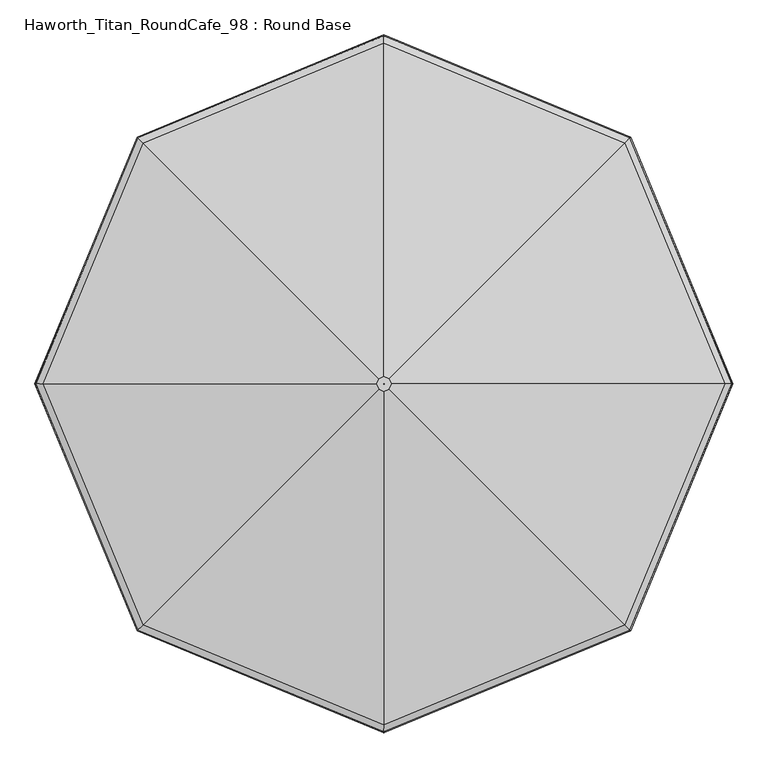
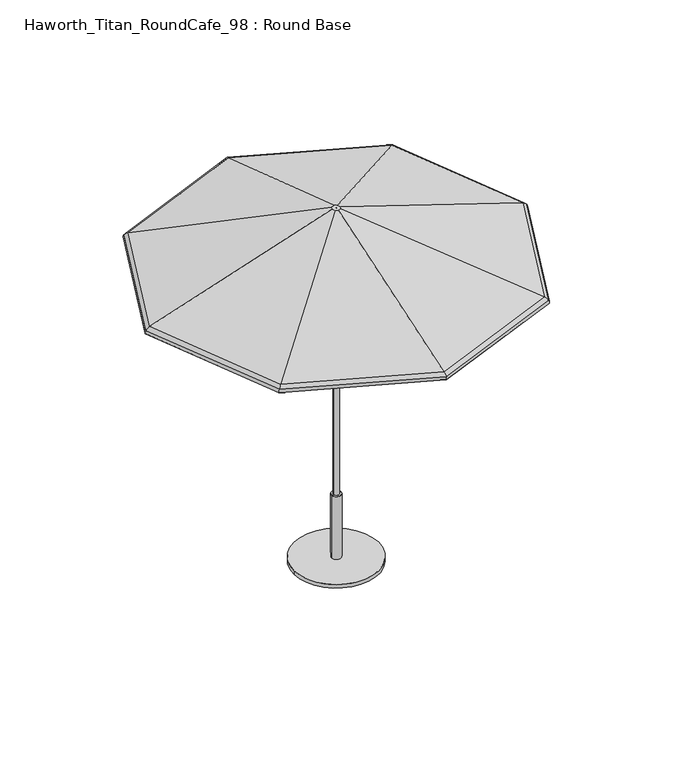
"""IFC4 building model written with IfcOpenShell, lengths in millimetres: furniture geometry, Haworth_Titan_RoundCafe_98 : Round Base."""

import ifcopenshell
import ifcopenshell.guid

model = None  # the IFC model being written
_history = None  # IfcOwnerHistory: only IFC2X3 demands one
_inside = {}  # id of a spatial element -> (the spatial element, [elements in it])
_under = {}  # id of a project, library or spatial element -> (it, [spatial elements below it])
_declared = {}  # id of a project -> (the project, [libraries it declares])
_typed = {}  # id of a type object -> (the type object, [elements of that type])
_made_of = {}  # id of a material, layer set ... -> (it, [elements and type objects made of it])


def new_model(schema):
    """Start an empty IFC model of exactly this schema.

    Asked for "IFC4X3", IfcOpenShell would pick the latest addendum, in which some entities
    have other attributes; the version numbers below select the first issue.
    IFC2X3 requires an IfcOwnerHistory on every rooted entity: one is made here for all.
    """
    global model, _history
    if schema == "IFC4X3":
        model = ifcopenshell.file(schema_version=(4, 3, 0, 0))
    else:
        model = ifcopenshell.file(schema=schema)
    _inside.clear()
    _under.clear()
    _declared.clear()
    _typed.clear()
    _made_of.clear()
    _history = None
    if model.schema == "IFC2X3":
        org = make("IfcOrganization", Name="unknown")
        user = make(
            "IfcPersonAndOrganization",
            ThePerson=make("IfcPerson", FamilyName="unknown"),
            TheOrganization=org,
        )
        app = make(
            "IfcApplication",
            ApplicationDeveloper=org,
            Version="unknown",
            ApplicationFullName="unknown",
            ApplicationIdentifier="unknown",
        )
        _history = make(
            "IfcOwnerHistory",
            OwningUser=user,
            OwningApplication=app,
            ChangeAction="ADDED",
            CreationDate=0,
        )
    return model


def make(cls, **values):
    """One entity of the class cls with the attributes given. An attribute that is None is left unset."""
    return model.create_entity(
        cls, **{name: value for name, value in values.items() if value is not None}
    )


def rooted(cls, **values):
    """An entity with a GlobalId (a new one), such as an element, a storey or a relation."""
    return make(cls, GlobalId=ifcopenshell.guid.new(), OwnerHistory=_history, **values)


def si_unit(unit_type, name, prefix=None):
    """IfcSIUnit, for example si_unit("LENGTHUNIT", "METRE", prefix="MILLI")."""
    return make("IfcSIUnit", UnitType=unit_type, Prefix=prefix, Name=name)


def assignment(units):
    """IfcUnitAssignment: the units of a project."""
    return None if units is None else make("IfcUnitAssignment", Units=units)


def point(xyz):
    """IfcCartesianPoint."""
    return None if xyz is None else make("IfcCartesianPoint", Coordinates=xyz)


def direction(xyz):
    """IfcDirection."""
    return None if xyz is None else make("IfcDirection", DirectionRatios=xyz)


def frame(location, z_axis=None, x_axis=None):
    """IfcAxis2Placement3D, a coordinate frame: its origin and axes. An axis left out is left unset."""
    return make(
        "IfcAxis2Placement3D",
        Location=point(location),
        Axis=direction(z_axis),
        RefDirection=direction(x_axis),
    )


def frame_2d(location, x_axis=None):
    """IfcAxis2Placement2D, a coordinate frame in the plane: its origin and x axis."""
    return make(
        "IfcAxis2Placement2D", Location=point(location), RefDirection=direction(x_axis)
    )


def origin():
    """The frame at (0, 0, 0) with its axes left unset."""
    return frame((0.0, 0.0, 0.0))


def origin_with_axes():
    """The frame at (0, 0, 0) with the z axis (0, 0, 1) and the x axis (1, 0, 0) written out."""
    return frame((0.0, 0.0, 0.0), z_axis=(0.0, 0.0, 1.0), x_axis=(1.0, 0.0, 0.0))


def place(relative_to, where):
    """IfcLocalPlacement: puts the frame where relative to a parent placement (None: the world)."""
    return make(
        "IfcLocalPlacement", PlacementRelTo=relative_to, RelativePlacement=where
    )


def context(
    kind, dimensions, precision=None, world=None, true_north=None, identifier=None
):
    """IfcGeometricRepresentationContext, for example the 3D "Model" context."""
    return make(
        "IfcGeometricRepresentationContext",
        ContextIdentifier=identifier,
        ContextType=kind,
        CoordinateSpaceDimension=dimensions,
        Precision=precision,
        WorldCoordinateSystem=world,
        TrueNorth=true_north,
    )


def project(units=None, contexts=None):
    """IfcProject with its units and contexts."""
    return rooted(
        "IfcProject",
        Name="project",
        RepresentationContexts=contexts,
        UnitsInContext=assignment(units),
    )


def spatial(cls, under=None, at=None, **own):
    """A site, building, storey or space (cls), placed at a placement, below another one or the project."""
    s = rooted(cls, ObjectPlacement=at, **own)
    if under is not None:
        _under.setdefault(under.id(), (under, []))[1].append(s)
    return s


def polyline(points):
    """IfcPolyline through the points."""
    return make("IfcPolyline", Points=[point(p) for p in points])


def circle_curve(where, radius):
    """IfcCircle in the frame where."""
    return make("IfcCircle", Position=where, Radius=radius)


def ellipse_curve(where, semi_axis1, semi_axis2):
    """IfcEllipse in the frame where."""
    return make(
        "IfcEllipse", Position=where, SemiAxis1=semi_axis1, SemiAxis2=semi_axis2
    )


def trimmed(basis, trim1, trim2, sense, master):
    """IfcTrimmedCurve: the piece of a basis curve between two trims."""
    return make(
        "IfcTrimmedCurve",
        BasisCurve=basis,
        Trim1=trim1,
        Trim2=trim2,
        SenseAgreement=sense,
        MasterRepresentation=master,
    )


def segment(curve, same_sense, transition):
    """IfcCompositeCurveSegment."""
    return make(
        "IfcCompositeCurveSegment",
        Transition=transition,
        SameSense=same_sense,
        ParentCurve=curve,
    )


def composite_curve(segments, self_intersect=None):
    """IfcCompositeCurve: segments joined end to end."""
    return make("IfcCompositeCurve", Segments=segments, SelfIntersect=self_intersect)


def outline(outer, holes=None, kind="AREA"):
    """IfcArbitraryClosedProfileDef: a profile drawn as a closed curve; with holes, ...WithVoids."""
    if holes is None:
        return make("IfcArbitraryClosedProfileDef", ProfileType=kind, OuterCurve=outer)
    return make(
        "IfcArbitraryProfileDefWithVoids",
        ProfileType=kind,
        OuterCurve=outer,
        InnerCurves=holes,
    )


def extrude(swept, where, along, depth):
    """IfcExtrudedAreaSolid: the profile swept, set in the frame where, extruded along a direction by depth."""
    return make(
        "IfcExtrudedAreaSolid",
        SweptArea=swept,
        Position=where,
        ExtrudedDirection=direction(along),
        Depth=depth,
    )


def shape(context_of_items, identifier, shape_type, items):
    """IfcShapeRepresentation: the items that make up one representation, for example the "Body"."""
    return make(
        "IfcShapeRepresentation",
        ContextOfItems=context_of_items,
        RepresentationIdentifier=identifier,
        RepresentationType=shape_type,
        Items=items,
    )


def source(mapping_origin, context_of_items, identifier, shape_type, items):
    """IfcRepresentationMap: a shape defined once, which mapped items show again and again."""
    return make(
        "IfcRepresentationMap",
        MappingOrigin=mapping_origin,
        MappedRepresentation=shape(context_of_items, identifier, shape_type, items),
    )


def transform(
    local_origin,
    x_axis=None,
    y_axis=None,
    z_axis=None,
    scale=None,
    scale2=None,
    scale3=None,
    uniform=True,
):
    """IfcCartesianTransformationOperator3D, or its non-uniform kind. x_axis, y_axis, z_axis: its Axis1, 2, 3."""
    if uniform:
        return make(
            "IfcCartesianTransformationOperator3D",
            Axis1=direction(x_axis),
            Axis2=direction(y_axis),
            LocalOrigin=point(local_origin),
            Scale=scale,
            Axis3=direction(z_axis),
        )
    return make(
        "IfcCartesianTransformationOperator3DnonUniform",
        Axis1=direction(x_axis),
        Axis2=direction(y_axis),
        LocalOrigin=point(local_origin),
        Scale=scale,
        Axis3=direction(z_axis),
        Scale2=scale2,
        Scale3=scale3,
    )


def mapped(mapping_source, mapping_target):
    """IfcMappedItem: shows the shape of a source again, moved by a transform."""
    return make(
        "IfcMappedItem", MappingSource=mapping_source, MappingTarget=mapping_target
    )


def made_of(thing, what):
    """Note that an element or type object is made of a material, layer set ...; save() writes the relation."""
    if what is not None:
        _made_of.setdefault(what.id(), (what, []))[1].append(thing)
    return thing


def element(
    cls,
    number,
    at=None,
    inside=None,
    cuts=None,
    type_object=None,
    material=None,
    context=None,
    identifier="Body",
    shape_type=None,
    held_by="IfcProductDefinitionShape",
    body=None,
    shapes=None,
    **own,
):
    """One element of the class cls, such as IfcWall. Its Tag is "e" and its number.

    at: its placement. inside: the storey or other place that contains it. cuts: it is an
    opening in that element (IfcRelVoidsElement). A single representation is given by context,
    identifier, shape_type and body (its items); several are given by shapes. held_by: the class
    of the entity that holds the representations. save() writes the other relations.
    """
    e = rooted(cls, Tag="e%d" % number, ObjectPlacement=at, **own)
    if body is not None:
        shapes = [shape(context, identifier, shape_type, body)]
    if shapes is not None:
        e.Representation = make(held_by, Representations=shapes)
    if inside is not None:
        _inside.setdefault(inside.id(), (inside, []))[1].append(e)
    if cuts is not None:
        rooted(
            "IfcRelVoidsElement", RelatingBuildingElement=cuts, RelatedOpeningElement=e
        )
    if type_object is not None:
        _typed.setdefault(type_object.id(), (type_object, []))[1].append(e)
    return made_of(e, material)


def aggregate(whole, parts):
    """IfcRelAggregates: a whole, such as a stair, and the parts it consists of."""
    return rooted("IfcRelAggregates", RelatingObject=whole, RelatedObjects=parts)


def save(model, path):
    """Write the relations noted so far, then the file.

    IfcRelAggregates (storeys below a building ...), IfcRelContainedInSpatialStructure (elements
    in a storey), IfcRelDefinesByType, IfcRelAssociatesMaterial and IfcRelDeclares: one each for
    every whole, place, type object, material and project.
    """
    for whole, parts in _under.values():
        aggregate(whole, parts)
    for where, things in _inside.values():
        rooted(
            "IfcRelContainedInSpatialStructure",
            RelatedElements=things,
            RelatingStructure=where,
        )
    for kind, things in _typed.values():
        rooted("IfcRelDefinesByType", RelatedObjects=things, RelatingType=kind)
    for what, things in _made_of.values():
        rooted("IfcRelAssociatesMaterial", RelatedObjects=things, RelatingMaterial=what)
    for by, libraries in _declared.values():
        rooted("IfcRelDeclares", RelatingContext=by, RelatedDefinitions=libraries)
    model.write(path)


def plane_surface(at):
    """IfcPlane: the flat surface through the origin of the frame at, square to its z axis."""
    return make("IfcPlane", Position=at)


def cylinder_surface(at, radius):
    """IfcCylindricalSurface: all points at the distance radius from the z axis of the frame at."""
    return make("IfcCylindricalSurface", Position=at, Radius=radius)


def revolved_surface(curve, axis_point, axis_direction):
    """IfcSurfaceOfRevolution: the curve turned about the line through axis_point along axis_direction."""
    return make(
        "IfcSurfaceOfRevolution",
        SweptCurve=make("IfcArbitraryOpenProfileDef", ProfileType="CURVE", Curve=curve),
        AxisPosition=make("IfcAxis1Placement", Location=point(axis_point), Axis=direction(axis_direction)),
    )


def advanced_brep(points, edges, surfaces, faces):
    """IfcAdvancedBrep: a solid bounded by faces that lie on surfaces and meet in shared edges.

    An edge is (start, end): straight between two places in points (the first is 0);
    or (start, end, curve); or (start, end, curve, False) where it runs against its curve.
    A face is (place in surfaces, loops), or (place, loops, False) where it looks against
    its surface's normal. A loop lists edges by number (the first is 1), with a minus sign
    where the edge is run from its end to its start. The first loop is the outer one.
    """
    corners = [point(p) for p in points]
    vertices = [make("IfcVertexPoint", VertexGeometry=c) for c in corners]
    made = []
    for start, end, *more in edges:
        made.append(
            make(
                "IfcEdgeCurve",
                EdgeStart=vertices[start],
                EdgeEnd=vertices[end],
                EdgeGeometry=more[0] if more else make("IfcPolyline", Points=[corners[start], corners[end]]),
                SameSense=more[1] if len(more) > 1 else True,
            )
        )
    hull = []
    for where, loops, *sense in faces:
        bounds = []
        for j, loop in enumerate(loops):
            ring = [make("IfcOrientedEdge", EdgeElement=made[abs(k) - 1], Orientation=k > 0) for k in loop]
            bounds.append(
                make(
                    "IfcFaceOuterBound" if j == 0 else "IfcFaceBound",
                    Bound=make("IfcEdgeLoop", EdgeList=ring),
                    Orientation=True,
                )
            )
        hull.append(make("IfcAdvancedFace", Bounds=bounds, FaceSurface=surfaces[where], SameSense=sense[0] if sense else True))
    return make("IfcAdvancedBrep", Outer=make("IfcClosedShell", CfsFaces=hull))


def haworth_titan_roundcafe_98_round_base_2bf08d6b(model_context):
    return source(origin(), model_context, "Body", "SolidModel", [
        advanced_brep(
        [(19.5795967, -23.609512, 2449.3082423), (867.9781902, -872.00808, 2054.63825), (1227.5064869, -4.0299408, 2054.63825), (27.6897202, -4.0299408, 2449.3082423), (0.2837179, -4.3136338, 2444.7441798), (0.2837179, -4.3136338, 2449.3082423), (0.4012274, -4.0299408, 2449.3082423), (0.4012274, -4.0299408, 2444.7441798), (866.8065131, -870.8364029, 2050.3385867), (18.976283, -23.0061982, 2444.7441798), (26.8365057, -4.0299408, 2444.7441798), (1225.8494853, -4.0299408, 2050.3385867), (867.9781902, 863.9481984, 2054.63825), (19.5795967, 15.5496304, 2449.3082423), (0.2837179, -3.7462478, 2449.3082423), (0.2837179, -3.7462478, 2444.7441798), (18.976283, 14.9463167, 2444.7441798), (866.8065131, 862.7765214, 2050.3385867), (0.0, 1223.4765468, 2054.63825), (0.0, 23.6597651, 2449.3082423), (0.0, -3.6287279, 2449.3082423), (0.0, -3.6287279, 2444.7441798), (0.0, 22.8065507, 2444.7441798), (0.0, 1221.8195452, 2050.3385867), (-867.9781902, 863.9481984, 2054.63825), (-19.5795967, 15.5496304, 2449.3082423), (-0.2837179, -3.7462478, 2449.3082423), (-0.2837179, -3.7462478, 2444.7441798), (-18.976283, 14.9463167, 2444.7441798), (-866.8065131, 862.7765214, 2050.3385867), (-1227.5064869, -4.0299408, 2054.63825), (-27.6897202, -4.0299408, 2449.3082423), (-0.4012274, -4.0299408, 2449.3082423), (-0.4012274, -4.0299408, 2444.7441798), (-26.8365057, -4.0299408, 2444.7441798), (-1225.8494853, -4.0299408, 2050.3385867), (-867.9781902, -872.00808, 2054.63825), (-19.5795967, -23.609512, 2449.3082423), (-0.2837179, -4.3136338, 2449.3082423), (-0.2837179, -4.3136338, 2444.7441798), (-18.976283, -23.0061982, 2444.7441798), (-866.8065131, -870.8364029, 2050.3385867), (0.0, -1231.5364283, 2054.63825), (0.0, -31.7196467, 2449.3082423), (0.0, -4.4311536, 2449.3082423), (0.0, -4.4311536, 2444.7441798), (0.0, -30.8664322, 2444.7441798), (0.0, -1229.8794267, 2050.3385867), (888.6808391, -892.7107282, 2015.4829783), (885.3255026, -889.3553919, 2016.7551217), (1252.0392907, -4.0299408, 2016.7551217), (1256.784453, -4.0299408, 2015.4829783), (886.7474447, -890.7773339, 2034.8989025), (1254.0502205, -4.0299408, 2034.8989025), (885.3255026, 881.2955103, 2016.7551217), (888.6808391, 884.6508467, 2015.4829783), (886.7474447, 882.7174524, 2034.8989025), (0.0, 1248.0093509, 2016.7551217), (0.0, 1252.7545132, 2015.4829783), (0.0, 1250.0202807, 2034.8989025), (-885.3255026, 881.2955103, 2016.7551217), (-888.6808391, 884.6508467, 2015.4829783), (-886.7474447, 882.7174524, 2034.8989025), (-1252.0392907, -4.0299408, 2016.7551217), (-1256.784453, -4.0299408, 2015.4829783), (-1254.0502205, -4.0299408, 2034.8989025), (-885.3255026, -889.3553919, 2016.7551217), (-888.6808391, -892.7107282, 2015.4829783), (-886.7474447, -890.7773339, 2034.8989025), (0.0, -1256.0692325, 2016.7551217), (0.0, -1260.8143948, 2015.4829783), (0.0, -1258.0801623, 2034.8989025), (883.7829619, -887.8128512, 2032.4847066), (1249.8578088, -4.0299408, 2032.4847066), (883.7829619, 879.7529696, 2032.4847066), (0.0, 1245.827869, 2032.4847066), (-883.7829619, 879.7529696, 2032.4847066), (-1249.8578088, -4.0299408, 2032.4847066), (-883.7829619, -887.8128512, 2032.4847066), (0.0, -1253.8877505, 2032.4847066)],
        [
            (0, 1),
            (1, 2),
            (2, 3),
            (3, 0),
            (4, 5),
            (5, 6),
            (6, 7),
            (7, 4),
            (8, 9),
            (9, 10),
            (10, 11),
            (11, 8),
            (2, 12),
            (12, 13),
            (13, 3),
            (6, 14),
            (14, 15),
            (15, 7),
            (10, 16),
            (16, 17),
            (17, 11),
            (12, 18),
            (18, 19),
            (19, 13),
            (14, 20),
            (20, 21),
            (21, 15),
            (16, 22),
            (22, 23),
            (23, 17),
            (18, 24),
            (24, 25),
            (25, 19),
            (20, 26),
            (26, 27),
            (27, 21),
            (22, 28),
            (28, 29),
            (29, 23),
            (24, 30),
            (30, 31),
            (31, 25),
            (26, 32),
            (32, 33),
            (33, 27),
            (28, 34),
            (34, 35),
            (35, 29),
            (30, 36),
            (36, 37),
            (37, 31),
            (32, 38),
            (38, 39),
            (39, 33),
            (34, 40),
            (40, 41),
            (41, 35),
            (36, 42),
            (42, 43),
            (43, 37),
            (38, 44),
            (44, 45),
            (45, 39),
            (40, 46),
            (46, 47),
            (47, 41),
            (42, 1),
            (0, 43),
            (5, 44),
            (4, 45),
            (9, 46),
            (8, 47),
            (48, 49, ellipse_curve(frame((887.0110539, -891.0409431, 2016.1545442), z_axis=(0.7071067705718669, 0.7071067918012279, 0.0), x_axis=(0.7071067918012278, -0.707106770571867, 0.0)), 2.4707782, 2.2827014)),
            (49, 50),
            (50, 51, ellipse_curve(frame((1254.4230202, -4.0299408, 2016.1545442), z_axis=(0.0, -1.0, 0.0), x_axis=(-1.0, 0.0, 0.0)), 2.4707782, 2.2827014)),
            (51, 48),
            (52, 48, ellipse_curve(frame((871.4269242, -875.4568139, 2022.4222784), z_axis=(0.7071067705718669, 0.7071067918012279, 0.0), x_axis=(0.7071067918012278, -0.707106770571867, 0.0)), 25.5305879, 23.5871876)),
            (51, 53, ellipse_curve(frame((1232.3837333, -4.0299408, 2022.4222784), z_axis=(0.0, -1.0, 0.0), x_axis=(-1.0, 0.0, 0.0)), 25.5305877, 23.5871876)),
            (53, 52),
            (1, 52, ellipse_curve(frame((855.7116602, -859.7415504, 2009.6241856), z_axis=(0.7071067705718669, 0.7071067918012279, 0.0), x_axis=(0.7071067918012278, -0.707106770571867, 0.0)), 51.7189887, 47.782115)),
            (53, 2, ellipse_curve(frame((1210.1589943, -4.0299408, 2009.6241856), z_axis=(0.0, -1.0, 0.0), x_axis=(-1.0, 0.0, 0.0)), 51.7189881, 47.782115)),
            (50, 54),
            (54, 55, ellipse_curve(frame((887.0110539, 882.9810616, 2016.1545442), z_axis=(0.7071067705718669, -0.7071067918012278, 0.0), x_axis=(-0.7071067918012273, -0.7071067705718674, 0.0)), 2.4707782, 2.2827014)),
            (55, 51),
            (55, 56, ellipse_curve(frame((871.4269242, 867.3969324, 2022.4222784), z_axis=(0.7071067705718669, -0.7071067918012278, 0.0), x_axis=(-0.7071067918012273, -0.7071067705718674, 0.0)), 25.5305879, 23.5871876)),
            (56, 53),
            (56, 12, ellipse_curve(frame((855.7116602, 851.6816688, 2009.6241856), z_axis=(0.7071067705718669, -0.7071067918012278, 0.0), x_axis=(-0.7071067918012273, -0.7071067705718674, 0.0)), 51.7189887, 47.782115)),
            (54, 57),
            (57, 58, ellipse_curve(frame((0.0, 1250.3930804, 2016.1545442), z_axis=(1.0, 0.0, 0.0), x_axis=(0.0, -1.0, 0.0)), 2.4707782, 2.2827014)),
            (58, 55),
            (58, 59, ellipse_curve(frame((0.0, 1228.3537932, 2022.4222784), z_axis=(1.0, 0.0, 0.0), x_axis=(0.0, -1.0, 0.0)), 25.530588, 23.5871876)),
            (59, 56),
            (59, 18, ellipse_curve(frame((0.0, 1206.129054, 2009.6241856), z_axis=(1.0, 0.0, 0.0), x_axis=(0.0, -1.0, 0.0)), 51.7189888, 47.782115)),
            (57, 60),
            (60, 61, ellipse_curve(frame((-887.0110539, 882.9810616, 2016.1545442), z_axis=(0.7071067705718668, 0.7071067918012279, 0.0), x_axis=(0.7071067918012285, -0.7071067705718664, 0.0)), 2.4707782, 2.2827014)),
            (61, 58),
            (61, 62, ellipse_curve(frame((-871.4269242, 867.3969324, 2022.4222784), z_axis=(0.7071067705718668, 0.7071067918012279, 0.0), x_axis=(0.7071067918012285, -0.7071067705718664, 0.0)), 25.5305879, 23.5871876)),
            (62, 59),
            (62, 24, ellipse_curve(frame((-855.7116602, 851.6816688, 2009.6241856), z_axis=(0.7071067705718668, 0.7071067918012279, 0.0), x_axis=(0.7071067918012285, -0.7071067705718664, 0.0)), 51.7189887, 47.782115)),
            (60, 63),
            (63, 64, ellipse_curve(frame((-1254.4230202, -4.0299408, 2016.1545442), z_axis=(0.0, 1.0, 0.0), x_axis=(1.0, 0.0, 0.0)), 2.4707782, 2.2827014)),
            (64, 61),
            (64, 65, ellipse_curve(frame((-1232.3837333, -4.0299408, 2022.4222784), z_axis=(0.0, 1.0, 0.0), x_axis=(1.0, 0.0, 0.0)), 25.5305877, 23.5871876)),
            (65, 62),
            (65, 30, ellipse_curve(frame((-1210.1589943, -4.0299408, 2009.6241856), z_axis=(0.0, 1.0, 0.0), x_axis=(1.0, 0.0, 0.0)), 51.7189881, 47.782115)),
            (63, 66),
            (66, 67, ellipse_curve(frame((-887.0110539, -891.0409431, 2016.1545442), z_axis=(-0.707106770571867, 0.7071067918012278, 0.0), x_axis=(0.7071067918012279, 0.7071067705718671, 0.0)), 2.4707782, 2.2827014)),
            (67, 64),
            (67, 68, ellipse_curve(frame((-871.4269242, -875.4568139, 2022.4222784), z_axis=(-0.707106770571867, 0.7071067918012278, 0.0), x_axis=(0.7071067918012279, 0.7071067705718671, 0.0)), 25.5305879, 23.5871876)),
            (68, 65),
            (68, 36, ellipse_curve(frame((-855.7116602, -859.7415504, 2009.6241856), z_axis=(-0.707106770571867, 0.7071067918012278, 0.0), x_axis=(0.7071067918012279, 0.7071067705718671, 0.0)), 51.7189887, 47.782115)),
            (66, 69),
            (69, 70, ellipse_curve(frame((0.0, -1258.452962, 2016.1545442), z_axis=(-1.0, 0.0, 0.0), x_axis=(0.0, 1.0, 0.0)), 2.4707782, 2.2827014)),
            (70, 67),
            (70, 71, ellipse_curve(frame((0.0, -1236.4136748, 2022.4222784), z_axis=(-1.0, 0.0, 0.0), x_axis=(0.0, 1.0, 0.0)), 25.530588, 23.5871876)),
            (71, 68),
            (71, 42, ellipse_curve(frame((0.0, -1214.1889356, 2009.6241856), z_axis=(-1.0, 0.0, 0.0), x_axis=(0.0, 1.0, 0.0)), 51.7189888, 47.782115)),
            (69, 49),
            (48, 70),
            (52, 71),
            (72, 8, ellipse_curve(frame((855.7116602, -859.7415504, 2009.6241856), z_axis=(-0.7071067705718669, -0.7071067918012279, 0.0), x_axis=(-0.7071067918012278, 0.707106770571867, 0.0)), 46.778883, 43.2180525)),
            (11, 73, ellipse_curve(frame((1210.1589943, -4.0299408, 2009.6241856), z_axis=(0.0, 1.0, 0.0), x_axis=(1.0, 0.0, 0.0)), 46.7788825, 43.2180525)),
            (73, 72),
            (49, 72, ellipse_curve(frame((871.4269242, -875.4568139, 2022.4222784), z_axis=(-0.7071067705718669, -0.7071067918012279, 0.0), x_axis=(-0.7071067918012278, 0.707106770571867, 0.0)), 20.5904823, 19.0231251)),
            (73, 50, ellipse_curve(frame((1232.3837333, -4.0299408, 2022.4222784), z_axis=(0.0, 1.0, 0.0), x_axis=(1.0, 0.0, 0.0)), 20.5904821, 19.0231251)),
            (17, 74, ellipse_curve(frame((855.7116602, 851.6816688, 2009.6241856), z_axis=(-0.7071067705718669, 0.7071067918012278, 0.0), x_axis=(0.7071067918012273, 0.7071067705718674, 0.0)), 46.778883, 43.2180525)),
            (74, 73),
            (74, 54, ellipse_curve(frame((871.4269242, 867.3969324, 2022.4222784), z_axis=(-0.7071067705718669, 0.7071067918012278, 0.0), x_axis=(0.7071067918012273, 0.7071067705718674, 0.0)), 20.5904823, 19.0231251)),
            (23, 75, ellipse_curve(frame((0.0, 1206.129054, 2009.6241856), z_axis=(-1.0, 0.0, 0.0), x_axis=(0.0, 1.0, 0.0)), 46.7788831, 43.2180525)),
            (75, 74),
            (75, 57, ellipse_curve(frame((0.0, 1228.3537932, 2022.4222784), z_axis=(-1.0, 0.0, 0.0), x_axis=(0.0, 1.0, 0.0)), 20.5904823, 19.0231251)),
            (29, 76, ellipse_curve(frame((-855.7116602, 851.6816688, 2009.6241856), z_axis=(-0.7071067705718668, -0.7071067918012279, 0.0), x_axis=(-0.7071067918012285, 0.7071067705718664, 0.0)), 46.778883, 43.2180525)),
            (76, 75),
            (76, 60, ellipse_curve(frame((-871.4269242, 867.3969324, 2022.4222784), z_axis=(-0.7071067705718668, -0.7071067918012279, 0.0), x_axis=(-0.7071067918012285, 0.7071067705718664, 0.0)), 20.5904823, 19.0231251)),
            (35, 77, ellipse_curve(frame((-1210.1589943, -4.0299408, 2009.6241856), z_axis=(0.0, -1.0, 0.0), x_axis=(-1.0, 0.0, 0.0)), 46.7788825, 43.2180525)),
            (77, 76),
            (77, 63, ellipse_curve(frame((-1232.3837333, -4.0299408, 2022.4222784), z_axis=(0.0, -1.0, 0.0), x_axis=(-1.0, 0.0, 0.0)), 20.5904821, 19.0231251)),
            (41, 78, ellipse_curve(frame((-855.7116602, -859.7415504, 2009.6241856), z_axis=(0.707106770571867, -0.7071067918012278, 0.0), x_axis=(-0.7071067918012279, -0.7071067705718671, 0.0)), 46.778883, 43.2180525)),
            (78, 77),
            (78, 66, ellipse_curve(frame((-871.4269242, -875.4568139, 2022.4222784), z_axis=(0.707106770571867, -0.7071067918012278, 0.0), x_axis=(-0.7071067918012279, -0.7071067705718671, 0.0)), 20.5904823, 19.0231251)),
            (47, 79, ellipse_curve(frame((0.0, -1214.1889356, 2009.6241856), z_axis=(1.0, 0.0, 0.0), x_axis=(0.0, -1.0, 0.0)), 46.7788831, 43.2180525)),
            (79, 78),
            (79, 69, ellipse_curve(frame((0.0, -1236.4136748, 2022.4222784), z_axis=(1.0, 0.0, 0.0), x_axis=(0.0, -1.0, 0.0)), 20.5904823, 19.0231251)),
            (72, 79),
        ],
        [
            plane_surface(frame((867.9781902, -872.00808, 2054.63825), z_axis=(0.3098860594599675, -0.12835900134285777, 0.9420693164128837), x_axis=(0.3826834138500074, 0.9238795401804848, 0.0))),
            plane_surface(frame((0.2837179, -4.3136338, 2449.3082423), z_axis=(-0.9238795401805519, 0.3826834138498457, 0.0), x_axis=(0.3826834138498457, 0.9238795401805519, 0.0))),
            plane_surface(frame((18.976283, -23.0061982, 2444.7441798), z_axis=(-0.30988605945996583, 0.12835900134286157, -0.9420693164128836), x_axis=(0.3826834138500158, 0.9238795401804812, 0.0))),
            plane_surface(frame((1227.5064869, -4.0299408, 2054.63825), z_axis=(0.3098860594599674, 0.1283590013428578, 0.9420693164128837), x_axis=(-0.38268341385000754, 0.9238795401804847, 0.0))),
            plane_surface(frame((0.4012274, -4.0299408, 2449.3082423), z_axis=(-0.9238795401804236, -0.38268341385015503, 0.0), x_axis=(-0.38268341385015503, 0.9238795401804236, 0.0))),
            plane_surface(frame((26.8365057, -4.0299408, 2444.7441798), z_axis=(-0.3098860594599669, -0.12835900134285932, -0.9420693164128837), x_axis=(-0.38268341385000904, 0.9238795401804841, 0.0))),
            plane_surface(frame((867.9781902, 863.9481984, 2054.63825), z_axis=(0.12835901064652352, 0.30988605560626115, 0.9420693164128842), x_axis=(-0.9238795286912376, 0.3826834415875042, 0.0))),
            plane_surface(frame((0.2837179, -3.7462478, 2449.3082423), z_axis=(-0.3826834415882052, -0.9238795286909472, 0.0), x_axis=(-0.9238795286909472, 0.3826834415882052, 0.0))),
            plane_surface(frame((18.976283, 14.9463167, 2444.7441798), z_axis=(-0.12835901064652197, -0.309886055606262, -0.9420693164128842), x_axis=(-0.9238795286912361, 0.38268344158750756, 0.0))),
            plane_surface(frame((0.0, 1223.4765468, 2054.63825), z_axis=(-0.12835901064652352, 0.3098860556062612, 0.9420693164128842), x_axis=(-0.9238795286912376, -0.3826834415875041, 0.0))),
            plane_surface(frame((0.0, -3.6287279, 2449.3082423), z_axis=(0.3826834415881674, -0.9238795286909629, 0.0), x_axis=(-0.9238795286909629, -0.3826834415881674, 1.7630868610491193e-12))),
            plane_surface(frame((0.0, 22.8065507, 2444.7441798), z_axis=(0.12835901064650254, -0.3098860556062698, -0.9420693164128842), x_axis=(-0.9238795286912317, -0.38268344158751827, 0.0))),
            plane_surface(frame((-867.9781902, 863.9481984, 2054.63825), z_axis=(-0.3098860594599674, 0.1283590013428577, 0.9420693164128838), x_axis=(-0.3826834138500073, -0.9238795401804849, 0.0))),
            plane_surface(frame((-0.2837179, -3.7462478, 2449.3082423), z_axis=(0.9238795401804988, -0.3826834138499735, 0.0), x_axis=(-0.3826834138499735, -0.9238795401804988, 0.0))),
            plane_surface(frame((-18.976283, 14.9463167, 2444.7441798), z_axis=(0.309886059459966, -0.12835900134286143, -0.9420693164128837), x_axis=(-0.38268341385001536, -0.9238795401804816, 0.0))),
            plane_surface(frame((-1227.5064869, -4.0299408, 2054.63825), z_axis=(-0.30988605945996744, -0.12835900134285777, 0.9420693164128836), x_axis=(0.3826834138500075, -0.9238795401804848, 0.0))),
            plane_surface(frame((-0.4012274, -4.0299408, 2449.3082423), z_axis=(0.9238795401804434, 0.3826834138501074, 0.0), x_axis=(0.3826834138501074, -0.9238795401804434, 0.0))),
            plane_surface(frame((-26.8365057, -4.0299408, 2444.7441798), z_axis=(0.30988605945996417, 0.1283590013428655, -0.9420693164128837), x_axis=(0.3826834138500276, -0.9238795401804764, 0.0))),
            plane_surface(frame((-867.9781902, -872.00808, 2054.63825), z_axis=(-0.12835901064652355, -0.30988605560626115, 0.9420693164128843), x_axis=(0.9238795286912376, -0.3826834415875043, 0.0))),
            plane_surface(frame((-0.2837179, -4.3136338, 2449.3082423), z_axis=(0.38268344158750667, 0.9238795286912367, 0.0), x_axis=(0.9238795286912367, -0.38268344158750667, -1.7630868610541979e-12))),
            plane_surface(frame((-18.976283, -23.0061982, 2444.7441798), z_axis=(0.12835901064652216, 0.30988605560626176, -0.9420693164128844), x_axis=(0.9238795286912359, -0.38268344158750833, 0.0))),
            plane_surface(frame((0.0, -1231.5364283, 2054.63825), z_axis=(0.12835901064652355, -0.30988605560626103, 0.9420693164128844), x_axis=(0.9238795286912376, 0.3826834415875044, 0.0))),
            plane_surface(frame((0.0, -31.7196467, 2449.3082423), z_axis=(0.0, 0.0, 1.0000000000000002), x_axis=(0.9238795286912374, 0.38268344158750495, 0.0))),
            plane_surface(frame((0.0, -4.4311536, 2449.3082423), z_axis=(-0.3826834415880379, 0.9238795286910165, 0.0), x_axis=(0.9238795286910165, 0.3826834415880379, 1.7630868610505533e-12))),
            plane_surface(frame((0.0, -4.4311536, 2444.7441798), z_axis=(0.0, 0.0, -1.0), x_axis=(0.9238795286912637, 0.38268344158744133, 0.0))),
            plane_surface(frame((0.0, -30.8664322, 2444.7441798), z_axis=(-0.1283590106464981, 0.3098860556062716, -0.9420693164128844), x_axis=(0.9238795286912372, 0.38268344158750517, 0.0))),
            cylinder_surface(frame((885.6093569, -894.4249392, 2016.1545442), z_axis=(-0.3826834138500074, -0.9238795401804848, 0.0), x_axis=(-0.9238795401804848, 0.3826834138500074, 0.0)), 2.2827014),
            cylinder_surface(frame((866.7976485, -886.6328749, 2022.4222784), z_axis=(-0.3826834138500074, -0.9238795401804848, 0.0), x_axis=(-0.9238795401804848, 0.3826834138500074, 0.0)), 23.5871876),
            cylinder_surface(frame((847.8276469, -878.7752434, 2009.6241856), z_axis=(-0.3826834138500074, -0.9238795401804848, 0.0), x_axis=(-0.9238795401804848, 0.3826834138500074, 0.0)), 47.782115),
            cylinder_surface(frame((1255.8247171, -7.4139366, 2016.1545442), z_axis=(0.38268341385000737, -0.9238795401804849, 0.0), x_axis=(-0.9238795401804849, -0.38268341385000737, 0.0)), 2.2827014),
            cylinder_surface(frame((1237.0130087, -15.2060009, 2022.4222784), z_axis=(0.38268341385000737, -0.9238795401804849, 0.0), x_axis=(-0.9238795401804849, -0.38268341385000737, 0.0)), 23.5871876),
            cylinder_surface(frame((1218.0430071, -23.0636324, 2009.6241856), z_axis=(0.38268341385000737, -0.9238795401804849, 0.0), x_axis=(-0.9238795401804849, -0.38268341385000737, 0.0)), 47.782115),
            cylinder_surface(frame((890.3950499, 881.5793645, 2016.1545442), z_axis=(0.9238795286912376, -0.38268344158750417, 0.0), x_axis=(-0.38268344158750417, -0.9238795286912376, 0.0)), 2.2827014),
            cylinder_surface(frame((882.6029851, 862.7676563, 2022.4222784), z_axis=(0.9238795286912376, -0.38268344158750417, 0.0), x_axis=(-0.38268344158750417, -0.9238795286912376, 0.0)), 23.5871876),
            cylinder_surface(frame((874.745353, 843.7976549, 2009.6241856), z_axis=(0.9238795286912376, -0.38268344158750417, 0.0), x_axis=(-0.38268344158750417, -0.9238795286912376, 0.0)), 47.782115),
            cylinder_surface(frame((3.3839961, 1251.7947775, 2016.1545442), z_axis=(0.9238795286912376, 0.3826834415875045, 0.0), x_axis=(0.3826834415875045, -0.9238795286912376, 0.0)), 2.2827014),
            cylinder_surface(frame((11.176061, 1232.9830694, 2022.4222784), z_axis=(0.9238795286912376, 0.3826834415875045, 0.0), x_axis=(0.3826834415875045, -0.9238795286912376, 0.0)), 23.5871876),
            cylinder_surface(frame((19.033693, 1214.013068, 2009.6241856), z_axis=(0.9238795286912376, 0.3826834415875045, 0.0), x_axis=(0.3826834415875045, -0.9238795286912376, 0.0)), 47.782115),
            cylinder_surface(frame((-885.6093569, 886.3650576, 2016.1545442), z_axis=(0.3826834138500073, 0.9238795401804848, 0.0), x_axis=(0.9238795401804848, -0.3826834138500073, 0.0)), 2.2827014),
            cylinder_surface(frame((-866.7976485, 878.5729933, 2022.4222784), z_axis=(0.3826834138500073, 0.9238795401804848, 0.0), x_axis=(0.9238795401804848, -0.3826834138500073, 0.0)), 23.5871876),
            cylinder_surface(frame((-847.8276469, 870.7153618, 2009.6241856), z_axis=(0.3826834138500073, 0.9238795401804848, 0.0), x_axis=(0.9238795401804848, -0.3826834138500073, 0.0)), 47.782115),
            cylinder_surface(frame((-1255.8247171, -0.6459449, 2016.1545442), z_axis=(-0.3826834138500074, 0.9238795401804848, 0.0), x_axis=(0.9238795401804848, 0.3826834138500074, 0.0)), 2.2827014),
            cylinder_surface(frame((-1237.0130087, 7.1461194, 2022.4222784), z_axis=(-0.3826834138500074, 0.9238795401804848, 0.0), x_axis=(0.9238795401804848, 0.3826834138500074, 0.0)), 23.5871876),
            cylinder_surface(frame((-1218.0430071, 15.0037509, 2009.6241856), z_axis=(-0.3826834138500074, 0.9238795401804848, 0.0), x_axis=(0.9238795401804848, 0.3826834138500074, 0.0)), 47.782115),
            cylinder_surface(frame((-890.3950499, -889.639246, 2016.1545442), z_axis=(-0.9238795286912376, 0.3826834415875041, 0.0), x_axis=(0.3826834415875041, 0.9238795286912376, 0.0)), 2.2827014),
            cylinder_surface(frame((-882.6029851, -870.8275378, 2022.4222784), z_axis=(-0.9238795286912376, 0.3826834415875041, 0.0), x_axis=(0.3826834415875041, 0.9238795286912376, 0.0)), 23.5871876),
            cylinder_surface(frame((-874.745353, -851.8575365, 2009.6241856), z_axis=(-0.9238795286912376, 0.3826834415875041, 0.0), x_axis=(0.3826834415875041, 0.9238795286912376, 0.0)), 47.782115),
            cylinder_surface(frame((-3.3839961, -1259.8546591, 2016.1545442), z_axis=(-0.9238795286912376, -0.3826834415875045, 0.0), x_axis=(-0.3826834415875045, 0.9238795286912376, 0.0)), 2.2827014),
            cylinder_surface(frame((-11.176061, -1241.0429509, 2022.4222784), z_axis=(-0.9238795286912376, -0.3826834415875045, 0.0), x_axis=(-0.3826834415875045, 0.9238795286912376, 0.0)), 23.5871876),
            cylinder_surface(frame((-19.033693, -1222.0729496, 2009.6241856), z_axis=(-0.9238795286912376, -0.3826834415875045, 0.0), x_axis=(-0.3826834415875045, 0.9238795286912376, 0.0)), 47.782115),
            revolved_surface(polyline([(1177.0813279177353, 29.04772291639233, 2009.6241856), (808.9327772004092, -859.7415515729037, 2009.6241856)]), (847.8276469, -878.7752434, 2009.6241856), (0.3826834138500074, 0.9238795401804848, 0.0)),
            revolved_surface(polyline([(1217.8240632036184, 10.529728133929439, 2022.4222784), (850.8364419865392, -875.4568144520437, 2022.4222784)]), (866.7976485, -886.6328749, 2022.4222784), (0.3826834138500074, 0.9238795401804848, 0.0)),
            revolved_surface(polyline([(808.9327772202232, 851.6816699811113, 2009.6241856), (1177.0813279375493, -37.10760450818483, 2009.6241856)]), (1218.0430071, -23.0636324, 2009.6241856), (-0.38268341385000737, 0.9238795401804849, 0.0)),
            revolved_surface(polyline([(850.8364419709978, 867.3969329456064, 2022.4222784), (1217.8240632234324, -18.589609725721992, 2022.4222784)]), (1237.0130087, -15.2060009, 2022.4222784), (-0.38268341385000737, 0.9238795401804849, 0.0)),
            revolved_surface(polyline([(-33.07766613995125, 1173.05138914796, 2009.6241856), (855.7116599637476, 804.9027857890122, 2009.6241856)]), (874.745353, 843.7976549, 2009.6241856), (-0.9238795286912376, 0.38268344158750417, 0.0)),
            revolved_surface(polyline([(-14.55966994483424, 1213.794123847939, 2022.4222784), (871.4269241167767, 846.8064501452996, 2022.4222784)]), (882.6029851, 862.7676563, 2022.4222784), (-0.9238795286912376, 0.38268344158750417, 0.0)),
            revolved_surface(polyline([(-855.7116599740738, 804.9027858139414, 2009.6241856), (33.07766612962508, 1173.0513891728895, 2009.6241856)]), (19.033693, 1214.013068, 2009.6241856), (-0.9238795286912376, -0.3826834415875045, 0.0)),
            revolved_surface(polyline([(-871.4269241124583, 846.8064501348736, 2022.4222784), (14.559669949152642, 1213.7941238375133, 2022.4222784)]), (11.176061, 1232.9830694, 2022.4222784), (-0.9238795286912376, -0.3826834415875045, 0.0)),
            revolved_surface(polyline([(-1177.081327917735, -37.10760451639214, 2009.6241856), (-808.9327772004092, 851.6816699729037, 2009.6241856)]), (-847.8276469, 870.7153618, 2009.6241856), (-0.3826834138500073, -0.9238795401804848, 0.0)),
            revolved_surface(polyline([(-1217.8240632036182, -18.58960973392925, 2022.4222784), (-850.8364419511838, 867.3969329373989, 2022.4222784)]), (-866.7976485, 878.5729933, 2022.4222784), (-0.3826834138500073, -0.9238795401804848, 0.0)),
            revolved_surface(polyline([(-808.932777184868, -859.7415515664663, 2009.6241856), (-1177.0813279021938, 29.047722922829497, 2009.6241856)]), (-1218.0430071, 15.0037509, 2009.6241856), (0.3826834138500074, -0.9238795401804848, 0.0)),
            revolved_surface(polyline([(-850.8364419709978, -875.4568144456061, 2022.4222784), (-1217.8240631880772, 10.529728140366657, 2022.4222784)]), (-1237.0130087, 7.1461194, 2022.4222784), (0.3826834138500074, -0.9238795401804848, 0.0)),
            revolved_surface(polyline([(33.07766613995125, -1181.11127074796, 2009.6241856), (-855.7116599637476, -812.9626673890123, 2009.6241856)]), (-874.745353, -851.8575365, 2009.6241856), (0.9238795286912376, -0.3826834415875041, 0.0)),
            revolved_surface(polyline([(14.559669980189597, -1221.8540053625836, 2022.4222784), (-871.4269241167767, -854.8663316452995, 2022.4222784)]), (-882.6029851, -870.8275378, 2022.4222784), (0.9238795286912376, -0.3826834415875041, 0.0)),
            revolved_surface(polyline([(855.7116599740737, -812.9626674139414, 2009.6241856), (-33.07766612962508, -1181.1112707728894, 2009.6241856)]), (-19.033693, -1222.0729496, 2009.6241856), (0.9238795286912376, 0.3826834415875045, 0.0)),
            revolved_surface(polyline([(871.4269241124583, -854.8663316348736, 2022.4222784), (-14.559669984508012, -1221.854005352158, 2022.4222784)]), (-11.176061, -1241.0429509, 2022.4222784), (0.9238795286912376, 0.3826834415875045, 0.0)),
        ],
        [
            (0, [[1, 2, 3, 4]]),
            (1, [[5, 6, 7, 8]]),
            (2, [[9, 10, 11, 12]]),
            (3, [[-3, 13, 14, 15]]),
            (4, [[-7, 16, 17, 18]]),
            (5, [[-11, 19, 20, 21]]),
            (6, [[-14, 22, 23, 24]]),
            (7, [[-17, 25, 26, 27]]),
            (8, [[-20, 28, 29, 30]]),
            (9, [[-23, 31, 32, 33]]),
            (10, [[-26, 34, 35, 36]]),
            (11, [[-29, 37, 38, 39]]),
            (12, [[-32, 40, 41, 42]]),
            (13, [[-35, 43, 44, 45]]),
            (14, [[-38, 46, 47, 48]]),
            (15, [[-41, 49, 50, 51]]),
            (16, [[-44, 52, 53, 54]]),
            (17, [[-47, 55, 56, 57]]),
            (18, [[-50, 58, 59, 60]]),
            (19, [[-53, 61, 62, 63]]),
            (20, [[-56, 64, 65, 66]]),
            (21, [[-59, 67, -1, 68]]),
            (22, [[-51, -60, -68, -4, -15, -24, -33, -42], [69, -61, -52, -43, -34, -25, -16, -6]]),
            (23, [[-62, -69, -5, 70]]),
            (24, [[71, -64, -55, -46, -37, -28, -19, -10], [-54, -63, -70, -8, -18, -27, -36, -45]]),
            (25, [[-65, -71, -9, 72]]),
            (26, [[73, 74, 75, 76]]),
            (27, [[77, -76, 78, 79]]),
            (28, [[80, -79, 81, -2]]),
            (29, [[-75, 82, 83, 84]]),
            (30, [[-78, -84, 85, 86]]),
            (31, [[-81, -86, 87, -13]]),
            (32, [[-83, 88, 89, 90]]),
            (33, [[-85, -90, 91, 92]]),
            (34, [[-87, -92, 93, -22]]),
            (35, [[-89, 94, 95, 96]]),
            (36, [[-91, -96, 97, 98]]),
            (37, [[-93, -98, 99, -31]]),
            (38, [[-95, 100, 101, 102]]),
            (39, [[-97, -102, 103, 104]]),
            (40, [[-99, -104, 105, -40]]),
            (41, [[-101, 106, 107, 108]]),
            (42, [[-103, -108, 109, 110]]),
            (43, [[-105, -110, 111, -49]]),
            (44, [[-107, 112, 113, 114]]),
            (45, [[-109, -114, 115, 116]]),
            (46, [[-111, -116, 117, -58]]),
            (47, [[-113, 118, -73, 119]]),
            (48, [[-115, -119, -77, 120]]),
            (49, [[-117, -120, -80, -67]]),
            (50, [[121, -12, 122, 123]]),
            (51, [[124, -123, 125, -74]]),
            (52, [[-122, -21, 126, 127]]),
            (53, [[-125, -127, 128, -82]]),
            (54, [[-126, -30, 129, 130]]),
            (55, [[-128, -130, 131, -88]]),
            (56, [[-129, -39, 132, 133]]),
            (57, [[-131, -133, 134, -94]]),
            (58, [[-132, -48, 135, 136]]),
            (59, [[-134, -136, 137, -100]]),
            (60, [[-135, -57, 138, 139]]),
            (61, [[-137, -139, 140, -106]]),
            (62, [[-138, -66, 141, 142]]),
            (63, [[-140, -142, 143, -112]]),
            (64, [[-141, -72, -121, 144]]),
            (65, [[-143, -144, -124, -118]]),
        ],
    ),
        extrude(outline(composite_curve([segment(trimmed(circle_curve(frame_2d((0.0, -4.0299408)), 279.4), [point((-279.4, -4.0299408))], [point((279.4, -4.0299408))], False, "CARTESIAN"), True, "CONTINUOUS"), segment(trimmed(circle_curve(frame_2d((0.0, -4.0299408)), 279.4), [point((279.4, -4.0299408))], [point((-279.4, -4.0299408))], False, "CARTESIAN"), True, "CONTINUOUS")], self_intersect=False)), origin_with_axes(), (0.0, 0.0, 1.0), 25.4),
        advanced_brep(
        [(-19.05, -4.0299408, 463.5500121), (19.05, -4.0299408, 463.5500121), (31.7499992, -4.0299408, 463.5500121), (-31.7499992, -4.0299408, 463.5500121), (-19.05, -4.0299408, 1873.1507813), (19.05, -4.0299408, 1873.1507813), (0.0, -4.0299408, 1873.1507813), (-31.7499992, -4.0299408, 25.4), (31.7499992, -4.0299408, 25.4), (0.0, -4.0299408, 25.4)],
        [
            (0, 1, circle_curve(frame((0.0, -4.0299408, 463.5500121), z_axis=(0.0, 0.0, -1.0), x_axis=(1.0, 0.0, 0.0)), 19.05)),
            (1, 2),
            (2, 3, circle_curve(frame((0.0, -4.0299408, 463.5500121), z_axis=(0.0, 0.0, 1.0), x_axis=(1.0, 0.0, 0.0)), 31.7499992)),
            (3, 0),
            (1, 0, circle_curve(frame((0.0, -4.0299408, 463.5500121), z_axis=(0.0, 0.0, -1.0), x_axis=(1.0, 0.0, 0.0)), 19.05)),
            (3, 2, circle_curve(frame((0.0, -4.0299408, 463.5500121), z_axis=(0.0, 0.0, 1.0), x_axis=(1.0, 0.0, 0.0)), 31.7499992)),
            (4, 5, circle_curve(frame((0.0, -4.0299408, 1873.1507813), z_axis=(0.0, 0.0, -1.0), x_axis=(1.0, 0.0, 0.0)), 19.05)),
            (5, 1),
            (0, 4),
            (5, 4, circle_curve(frame((0.0, -4.0299408, 1873.1507813), z_axis=(0.0, 0.0, -1.0), x_axis=(1.0, 0.0, 0.0)), 19.05)),
            (6, 5),
            (4, 6),
            (7, 8, circle_curve(frame((0.0, -4.0299408, 25.4), z_axis=(0.0, 0.0, -1.0), x_axis=(1.0, 0.0, 0.0)), 31.7499992)),
            (8, 9),
            (9, 7),
            (8, 7, circle_curve(frame((0.0, -4.0299408, 25.4), z_axis=(0.0, 0.0, -1.0), x_axis=(1.0, 0.0, 0.0)), 31.7499992)),
            (2, 8),
            (7, 3),
        ],
        [
            plane_surface(frame((0.0, -4.0299408, 463.5500121), z_axis=(0.0, 0.0, 1.0), x_axis=(1.0, 0.0, 0.0))),
            cylinder_surface(frame((0.0, -4.0299408, 2736.7507813), z_axis=(0.0, 0.0, 1.0), x_axis=(1.0, 0.0, 0.0)), 19.05),
            plane_surface(frame((0.0, -4.0299408, 1873.1507813), z_axis=(0.0, 0.0, 1.0), x_axis=(1.0, 0.0, 0.0))),
            plane_surface(frame((0.0, -4.0299408, 25.4), z_axis=(0.0, 0.0, -1.0), x_axis=(1.0, 0.0, 0.0))),
            cylinder_surface(frame((0.0, -4.0299408, 2736.7507813), z_axis=(0.0, 0.0, 1.0), x_axis=(1.0, 0.0, 0.0)), 31.7499992),
        ],
        [
            (0, [[1, 2, 3, 4]]),
            (0, [[5, -4, 6, -2]]),
            (1, [[7, 8, -1, 9]]),
            (1, [[10, -9, -5, -8]]),
            (2, [[11, -7, 12]]),
            (2, [[-12, -10, -11]]),
            (3, [[13, 14, 15]]),
            (3, [[16, -15, -14]]),
            (4, [[-3, 17, -13, 18]]),
            (4, [[-6, -18, -16, -17]]),
        ],
    ),
    ])


if __name__ == "__main__":
    model = new_model("IFC4")
    model_context = context("Model", 3, world=origin())
    ifc_project = project(units=[si_unit("LENGTHUNIT", "METRE", prefix="MILLI")], contexts=[model_context])
    site = spatial("IfcSite", under=ifc_project)
    building = spatial("IfcBuilding", under=site)
    placement = place(None, origin())
    haworth_titan_roundcafe_98_round_base_shape = haworth_titan_roundcafe_98_round_base_2bf08d6b(model_context)
    element("IfcFurniture", 1, ObjectType="Haworth_Titan_RoundCafe_98 : Round Base", at=placement, inside=building, context=model_context, shape_type="MappedRepresentation", body=[
        mapped(haworth_titan_roundcafe_98_round_base_shape, transform((0.0, 0.0, 0.0), x_axis=(1.0, 0.0, 0.0), y_axis=(0.0, 1.0, 0.0), z_axis=(0.0, 0.0, 1.0))),
    ])
    save(model, "model.ifc")
